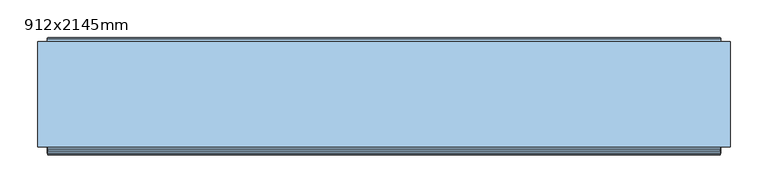
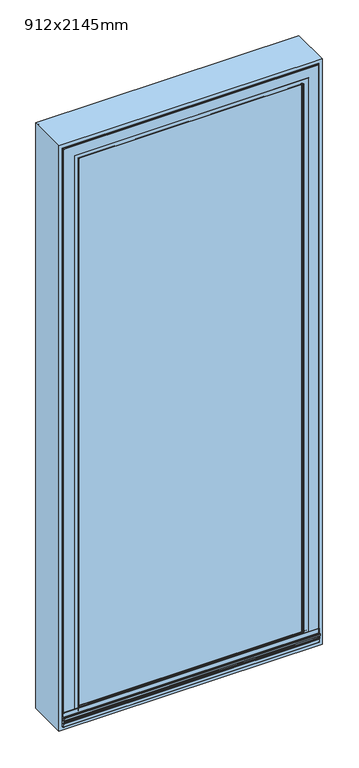
"""IFC4 building model written with IfcOpenShell, lengths in millimetres: window geometry, 912x2145mm."""

from ifc_helpers import new_model, si_unit, point, frame, frame_2d, origin, place, context, project, spatial, polyline, circle_curve, ellipse_curve, trimmed, segment, composite_curve, outline, extrude, faceted_brep, source, transform, mapped, element, save
from ifc_brep_helpers import plane_surface, cylinder_surface, revolved_surface, advanced_brep


def window_912x2145mm_07aee87f(model_context):
    return source(origin(), model_context, "Body", "SolidModel", [
        advanced_brep(
        [(435.5, -5.0000014, 21.5), (442.5, -5.0000014, 21.5), (444.0, -6.5000014, 21.5), (444.0, -74.0000016, 21.5), (434.0, -74.0000016, 21.5), (434.0, -6.5000014, 21.5), (-434.0, -6.5000014, 2123.0), (-434.0, -6.5000014, 21.5), (-435.5, -5.0000014, 21.5), (-435.5, -5.0000014, 2124.5), (-434.0, -142.5000016, 2123.0), (-434.0, -142.5000016, 52.0), (-434.0, -74.0000016, 52.0), (-434.0, -74.0000016, 21.5), (-444.0, -6.5000014, 2133.0), (-444.0, -6.5000014, 21.5), (-444.0, -74.0000016, 21.5), (-444.0, -74.0000016, 52.0), (-444.0, -142.5000016, 52.0), (-444.0, -142.5000016, 2133.0), (-442.5, -5.0000014, 2131.5), (-442.5, -5.0000014, 21.5), (434.0, -6.5000014, 2123.0), (435.5, -5.0000014, 2124.5), (434.0, -74.0000016, 52.0), (434.0, -142.5000016, 52.0), (434.0, -142.5000016, 2123.0), (444.0, -142.5000016, 52.0), (444.0, -142.5000016, 2133.0), (444.0, -74.0000016, 52.0), (444.0, -6.5000014, 2133.0), (442.5, -5.0000014, 2131.5)],
        [
            (0, 1),
            (1, 2, circle_curve(frame((442.5, -6.5000014, 21.5), z_axis=(0.0, 0.0, -1.0), x_axis=(-1.0, 0.0, 0.0)), 1.5)),
            (2, 3),
            (3, 4),
            (4, 5),
            (5, 0, circle_curve(frame((435.5, -6.5000014, 21.5), z_axis=(0.0, 0.0, -1.0), x_axis=(-1.0, 0.0, 0.0)), 1.5)),
            (6, 7),
            (7, 8, circle_curve(frame((-435.5, -6.5000014, 21.5), z_axis=(0.0, 0.0, 1.0), x_axis=(1.0, 0.0, 0.0)), 1.5)),
            (8, 9),
            (9, 6, ellipse_curve(frame((-435.5, -6.5000014, 2124.5), z_axis=(-0.7071067811865475, 0.0, -0.7071067811865475), x_axis=(-0.7071067811865474, 0.0, 0.7071067811865476)), 2.1213203, 1.5)),
            (6, 10),
            (10, 11),
            (11, 12),
            (12, 13),
            (13, 7),
            (14, 15),
            (15, 16),
            (16, 17),
            (17, 18),
            (18, 19),
            (19, 14),
            (14, 20, ellipse_curve(frame((-442.5, -6.5000014, 2131.5), z_axis=(-0.7071067811865475, 0.0, -0.7071067811865475), x_axis=(-0.7071067811865474, 0.0, 0.7071067811865476)), 2.1213203, 1.5)),
            (20, 21),
            (21, 15, circle_curve(frame((-442.5, -6.5000014, 21.5), z_axis=(0.0, 0.0, 1.0), x_axis=(1.0, 0.0, 0.0)), 1.5)),
            (5, 22),
            (22, 23, ellipse_curve(frame((435.5, -6.5000014, 2124.5), z_axis=(0.7071067811865475, 0.0, -0.7071067811865475), x_axis=(-0.7071067811865474, 0.0, -0.7071067811865476)), 2.1213203, 1.5)),
            (23, 0),
            (4, 24),
            (24, 25),
            (25, 26),
            (26, 22),
            (25, 27),
            (27, 28),
            (28, 19),
            (18, 11),
            (10, 26),
            (27, 29),
            (29, 3),
            (2, 30),
            (30, 28),
            (1, 31),
            (31, 30, ellipse_curve(frame((442.5, -6.5000014, 2131.5), z_axis=(0.7071067811865475, 0.0, -0.7071067811865475), x_axis=(-0.7071067811865474, 0.0, -0.7071067811865476)), 2.1213203, 1.5)),
            (23, 9),
            (8, 21),
            (20, 31),
            (13, 16),
            (22, 6),
            (30, 14),
            (12, 17),
            (29, 24),
        ],
        [
            plane_surface(frame((444.0, -204.0000016, 21.5), z_axis=(0.0, 0.0, -1.0), x_axis=(0.0, 1.0, 0.0))),
            cylinder_surface(frame((-435.5, -6.5000014, 2133.0), z_axis=(0.0, 0.0, 1.0), x_axis=(1.0, 0.0, 0.0)), 1.5),
            plane_surface(frame((-434.0, -6.5000014, 2123.0), z_axis=(1.0, 0.0, 0.0), x_axis=(0.0, 0.0, -1.0))),
            plane_surface(frame((-444.0, -142.5000016, 2133.0), z_axis=(-1.0, 0.0, 0.0), x_axis=(0.0, 0.0, -1.0))),
            cylinder_surface(frame((-442.5, -6.5000014, 2133.0), z_axis=(0.0, 0.0, 1.0), x_axis=(1.0, 0.0, 0.0)), 1.5),
            cylinder_surface(frame((435.5, -6.5000014, 21.5), z_axis=(0.0, 0.0, -1.0), x_axis=(-1.0, 0.0, 0.0)), 1.5),
            plane_surface(frame((434.0, -6.5000014, 21.5), z_axis=(-1.0, 0.0, 0.0), x_axis=(0.0, 0.0, 1.0))),
            plane_surface(frame((434.0, -142.5000016, 21.5), z_axis=(0.0, -1.0, 0.0), x_axis=(0.0, 0.0, 1.0))),
            plane_surface(frame((444.0, -142.5000016, 21.5), z_axis=(1.0, 0.0, 0.0), x_axis=(0.0, 0.0, 1.0))),
            cylinder_surface(frame((442.5, -6.5000014, 21.5), z_axis=(0.0, 0.0, -1.0), x_axis=(-1.0, 0.0, 0.0)), 1.5),
            plane_surface(frame((442.5, -5.0000014, 21.5), z_axis=(0.0, 1.0, 0.0), x_axis=(0.0, 0.0, 1.0))),
            plane_surface(frame((-444.0, -204.0000016, 21.5), z_axis=(0.0, 0.0, -1.0), x_axis=(0.0, 1.0, 0.0))),
            cylinder_surface(frame((444.0, -6.5000014, 2124.5), z_axis=(1.0, 0.0, 0.0), x_axis=(0.0, 0.0, -1.0)), 1.5),
            plane_surface(frame((434.0, -6.5000014, 2123.0), z_axis=(0.0, 0.0, -1.0), x_axis=(-1.0, 0.0, 0.0))),
            plane_surface(frame((444.0, -142.5000016, 2133.0), z_axis=(0.0, 0.0, 1.0), x_axis=(-1.0, 0.0, 0.0))),
            cylinder_surface(frame((444.0, -6.5000014, 2131.5), z_axis=(1.0, 0.0, 0.0), x_axis=(0.0, 0.0, -1.0)), 1.5),
            plane_surface(frame((-456.0, -74.0000016, 12.0), z_axis=(0.0, -1.0, 0.0), x_axis=(1.0, 0.0, 0.0))),
            plane_surface(frame((-456.0, -74.0000016, 52.0), z_axis=(0.0, 0.0, -1.0), x_axis=(1.0, 0.0, 0.0))),
        ],
        [
            (0, [[1, 2, 3, 4, 5, 6]]),
            (1, [[7, 8, 9, 10]]),
            (2, [[11, 12, 13, 14, 15, -7]]),
            (3, [[16, 17, 18, 19, 20, 21]]),
            (4, [[22, 23, 24, -16]]),
            (5, [[25, 26, 27, -6]]),
            (6, [[-5, 28, 29, 30, 31, -25]]),
            (7, [[-30, 32, 33, 34, -20, 35, -12, 36]]),
            (8, [[-33, 37, 38, -3, 39, 40]]),
            (9, [[41, 42, -39, -2]]),
            (10, [[-27, 43, -9, 44, -23, 45, -41, -1]]),
            (11, [[-15, 46, -17, -24, -44, -8]]),
            (12, [[-43, -26, 47, -10]]),
            (13, [[-47, -31, -36, -11]]),
            (14, [[-34, -40, 48, -21]]),
            (15, [[-48, -42, -45, -22]]),
            (16, [[-18, -46, -14, 49]]),
            (16, [[-28, -4, -38, 50]]),
            (17, [[-13, -35, -19, -49]]),
            (17, [[-37, -32, -29, -50]]),
        ],
    ),
        extrude(outline(composite_curve([segment(polyline([(-119.0000016, 72.0986884), (-61.0000016, 72.0986884)]), True, "CONTINUOUS"), segment(trimmed(circle_curve(frame_2d((-61.0000016, 71.0986884)), 1.0), [point((-61.0000016, 72.0986884))], [point((-60.0000016, 71.0986884))], False, "CARTESIAN"), True, "CONTINUOUS"), segment(polyline([(-60.0000016, 71.0986884), (-60.0000016, 28.8986884), (-63.8258284, 28.8986884), (-64.3024355, 24.2399243)]), True, "CONTINUOUS"), segment(trimmed(circle_curve(frame_2d((-64.7024355, 24.2399243)), 0.4), [point((-64.3024355, 24.2399243))], [point((-65.102348, 24.2482884))], False, "CARTESIAN"), True, "CONTINUOUS"), segment(polyline([(-65.102348, 24.2482884), (-65.102348, 35.2655715), (-119.0000016, 37.7854439), (-119.0000016, 72.0986884)]), True, "CONTINUOUS")], self_intersect=False)), frame((-427.2, 0.0, 0.0), z_axis=(1.0, 0.0, 0.0), x_axis=(0.0, 1.0, 0.0)), (0.0, 0.0, 1.0), 854.4),
        faceted_brep([(434.0, -63.3258286, 28.8986884), (434.0, -74.0000016, 28.8986884), (384.0, -74.0000016, 28.8986884), (384.0, -59.5000018, 28.8986884), (427.2, -59.5000018, 28.8986884), (427.2, -63.3258286, 28.8986884), (-406.0, -142.5000017, 2095.0), (-406.0, -142.5000017, 52.0), (-406.0, -118.5000018, 52.0), (-406.0, -118.5000018, 2095.0), (-434.0, -63.3258286, 2123.0), (-434.0, -63.3258286, 28.8986884), (-434.0, -74.0000016, 28.8986884), (-434.0, -74.0000016, 52.0), (-434.0, -142.5000017, 52.0), (-434.0, -142.5000017, 2123.0), (-427.2, -59.5000018, 2116.2), (-427.2, -59.5000018, 28.8986884), (-427.2, -63.3258286, 28.8986884), (-427.2, -63.3258286, 2116.2), (-384.0, -118.5000018, 2073.0), (-384.0, -118.5000018, 52.0), (-384.0, -74.0000016, 52.0), (-384.0, -74.0000016, 28.8986884), (-384.0, -59.5000018, 28.8986884), (-384.0, -59.5000018, 2073.0), (406.0, -118.5000018, 2095.0), (406.0, -118.5000018, 52.0), (406.0, -142.5000017, 52.0), (406.0, -142.5000017, 2095.0), (434.0, -142.5000017, 52.0), (434.0, -142.5000017, 2123.0), (434.0, -74.0000016, 52.0), (434.0, -63.3258286, 2123.0), (427.2, -63.3258286, 2116.2), (427.2, -59.5000018, 2116.2), (384.0, -59.5000018, 2073.0), (384.0, -74.0000016, 52.0), (384.0, -118.5000018, 52.0), (384.0, -118.5000018, 2073.0)], [[[0, 1, 2, 3, 4, 5]], [[6, 7, 8, 9]], [[10, 11, 12, 13, 14, 15]], [[16, 17, 18, 19]], [[20, 21, 22, 23, 24, 25]], [[26, 27, 28, 29]], [[29, 28, 30, 31, 15, 14, 7, 6]], [[31, 30, 32, 1, 0, 33]], [[5, 34, 19, 18, 11, 10, 33, 0]], [[4, 35, 34, 5]], [[3, 36, 25, 24, 17, 16, 35, 4]], [[3, 2, 37, 38, 39, 36]], [[39, 38, 27, 26, 9, 8, 21, 20]], [[17, 24, 23, 12, 11, 18]], [[9, 26, 29, 6]], [[15, 31, 33, 10]], [[19, 34, 35, 16]], [[25, 36, 39, 20]], [[13, 12, 23, 22]], [[37, 2, 1, 32]], [[22, 21, 8, 7, 14, 13]], [[32, 30, 28, 27, 38, 37]]]),
        extrude(outline(composite_curve([segment(trimmed(circle_curve(frame_2d((-149.0000016, 43.4986884)), 2.4), [point((-149.0000016, 41.0986884))], [point((-151.3237916, 44.0986884))], False, "CARTESIAN"), True, "CONTINUOUS"), segment(polyline([(-151.3237916, 44.0986884), (-154.3000016, 44.0986884), (-154.3000016, 48.8986884), (-156.3000016, 48.8986884), (-158.2000016, 47.8017229), (-158.2000016, 41.2986884), (-159.4000016, 41.2986884), (-159.4000016, 47.6862528)]), True, "CONTINUOUS"), segment(trimmed(circle_curve(frame_2d((-158.0000016, 47.6862528)), 1.4), [point((-159.4000016, 47.6862528))], [point((-158.7000016, 48.8986884))], False, "CARTESIAN"), True, "CONTINUOUS"), segment(polyline([(-158.7000016, 48.8986884), (-156.6215407, 50.0986884), (-154.0000016, 50.0986884), (-154.0000016, 65.5986884)]), True, "CONTINUOUS"), segment(trimmed(circle_curve(frame_2d((-153.5000016, 65.5986884)), 0.5), [point((-154.0000016, 65.5986884))], [point((-153.5000016, 66.0986884))], False, "CARTESIAN"), True, "CONTINUOUS"), segment(polyline([(-153.5000016, 66.0986884), (-150.7688261, 66.0986884), (-149.787266, 66.3616966)]), True, "CONTINUOUS"), segment(trimmed(circle_curve(frame_2d((-150.1258125, 68.4759697)), 2.1412063), [point((-149.787266, 66.3616966))], [point((-147.9871075, 68.5794346))], True, "CARTESIAN"), True, "CONTINUOUS"), segment(trimmed(circle_curve(frame_2d((-147.4938808, 68.6048095)), 0.4938789), [point((-147.9871075, 68.5794346))], [point((-147.0000019, 68.6048095))], False, "CARTESIAN"), True, "CONTINUOUS"), segment(polyline([(-147.0000019, 68.6048095), (-147.0000019, 50.0986884), (-119.0000016, 50.0986884), (-119.0000016, 37.7854439), (-125.7000016, 38.0986884), (-129.2000016, 41.5986884), (-129.2000016, 44.0986884), (-133.9000016, 44.0986884), (-133.9000016, 41.0986884), (-149.0000016, 41.0986884)]), True, "CONTINUOUS")], self_intersect=False)), frame((-443.0, 0.0, 0.0), z_axis=(1.0, 0.0, 0.0), x_axis=(0.0, 1.0, 0.0)), (0.0, 0.0, 1.0), 885.9999999),
        extrude(outline(composite_curve([segment(polyline([(-65.5000016, 21.5), (-6.5000016, 21.5)]), True, "CONTINUOUS"), segment(trimmed(circle_curve(frame_2d((-6.5000016, 20.0)), 1.5), [point((-6.5000016, 21.5))], [point((-5.0000016, 20.0))], False, "CARTESIAN"), True, "CONTINUOUS"), segment(polyline([(-5.0000016, 20.0), (-5.0000016, 13.5)]), True, "CONTINUOUS"), segment(trimmed(circle_curve(frame_2d((-6.5000016, 13.5)), 1.5), [point((-5.0000016, 13.5))], [point((-6.5000016, 12.0))], False, "CARTESIAN"), True, "CONTINUOUS"), segment(polyline([(-6.5000016, 12.0), (-146.0000016, 12.0), (-146.0000016, 15.6), (-152.6000016, 15.6), (-152.6000016, 14.3745967)]), True, "CONTINUOUS"), segment(trimmed(circle_curve(frame_2d((-152.4000016, 13.6)), 0.8), [point((-152.6000016, 14.3745967))], [point((-151.6853167, 13.2405205))], False, "CARTESIAN"), True, "CONTINUOUS"), segment(trimmed(circle_curve(frame_2d((-152.5000016, 14.5)), 1.5), [point((-151.6853167, 13.2405205))], [point((-154.0000016, 14.5))], False, "CARTESIAN"), True, "CONTINUOUS"), segment(polyline([(-154.0000016, 14.5), (-154.0000016, 24.5328639)]), True, "CONTINUOUS"), segment(trimmed(circle_curve(frame_2d((-153.0000016, 24.5328639)), 1.0), [point((-154.0000016, 24.5328639))], [point((-153.5000016, 25.3988893))], False, "CARTESIAN"), True, "CONTINUOUS"), segment(polyline([(-153.5000016, 25.3988893), (-151.4000016, 26.6113249)]), True, "CONTINUOUS"), segment(trimmed(circle_curve(frame_2d((-151.9000016, 27.4773503)), 1.0), [point((-151.4000016, 26.6113249))], [point((-150.9000016, 27.4773503))], True, "CARTESIAN"), True, "CONTINUOUS"), segment(polyline([(-150.9000016, 27.4773503), (-150.9000016, 33.6)]), True, "CONTINUOUS"), segment(trimmed(circle_curve(frame_2d((-151.9000016, 33.6)), 1.0), [point((-150.9000016, 33.6))], [point((-151.9000016, 34.6))], True, "CARTESIAN"), True, "CONTINUOUS"), segment(polyline([(-151.9000016, 34.6), (-153.892822, 34.6), (-155.6000016, 33.6143594), (-155.6000016, 30.9), (-157.0000016, 30.9), (-157.0000016, 33.8452995)]), True, "CONTINUOUS"), segment(trimmed(circle_curve(frame_2d((-156.0000016, 33.8452995)), 1.0), [point((-157.0000016, 33.8452995))], [point((-156.5000016, 34.7113249))], False, "CARTESIAN"), True, "CONTINUOUS"), segment(polyline([(-156.5000016, 34.7113249), (-154.2679508, 36.0), (-150.5000016, 36.0)]), True, "CONTINUOUS"), segment(trimmed(circle_curve(frame_2d((-150.5000016, 35.0)), 1.0), [point((-150.5000016, 36.0))], [point((-149.5000016, 35.0))], False, "CARTESIAN"), True, "CONTINUOUS"), segment(polyline([(-149.5000016, 35.0), (-149.5000016, 26.9), (-142.5000016, 26.9), (-133.13776, 35.5830778)]), True, "CONTINUOUS"), segment(trimmed(circle_curve(frame_2d((-132.1000016, 34.5)), 1.5), [point((-133.13776, 35.5830778))], [point((-130.6000016, 34.5))], False, "CARTESIAN"), True, "CONTINUOUS"), segment(polyline([(-130.6000016, 34.5), (-130.6000016, 32.2)]), True, "CONTINUOUS"), segment(trimmed(circle_curve(frame_2d((-129.6000016, 32.2)), 1.0), [point((-130.6000016, 32.2))], [point((-129.6000016, 31.2))], True, "CARTESIAN"), True, "CONTINUOUS"), segment(polyline([(-129.6000016, 31.2), (-92.5000016, 31.2)]), True, "CONTINUOUS"), segment(trimmed(circle_curve(frame_2d((-92.5000016, 28.2)), 3.0), [point((-92.5000016, 31.2))], [point((-89.5000016, 28.2))], False, "CARTESIAN"), True, "CONTINUOUS"), segment(polyline([(-89.5000016, 28.2), (-89.5000016, 22.9), (-65.5000016, 22.9), (-65.5000016, 21.5)]), True, "CONTINUOUS")], self_intersect=False)), frame((-444.0, 0.0, 0.0), z_axis=(1.0, 0.0, 0.0), x_axis=(0.0, 1.0, 0.0)), (0.0, 0.0, 1.0), 888.0),
        extrude(outline(polyline([(2145.0, -456.0), (0.0, -456.0), (0.0, 456.0), (2145.0, 456.0), (2145.0, -456.0)]), holes=[polyline([(12.0, -444.0), (2133.0, -444.0), (2133.0, 444.0), (12.0, 444.0), (12.0, -444.0)])]), frame((0.0, -149.0000016, 0.0), z_axis=(0.0, 1.0, 0.0), x_axis=(0.0, 0.0, 1.0)), (0.0, 0.0, 1.0), 139.0),
        extrude(outline(polyline([(402.0, -118.5000018), (402.0, -146.5000018), (-402.0, -146.5000018), (-402.0, -118.5000018), (402.0, -118.5000018)])), frame((0.0, 0.0, 54.0), z_axis=(0.0, 0.0, 1.0), x_axis=(1.0, 0.0, 0.0)), (0.0, 0.0, 1.0), 2037.0),
        advanced_brep(
        [(406.514074, -154.0000016, 50.0986884), (405.8, -153.5000016, 50.0986884), (390.5, -153.5000016, 50.0986884), (390.0, -153.0000016, 50.0986884), (390.0, -149.7544748, 50.0986884), (389.5962483, -148.7951832, 50.0986884), (387.5192538, -147.4871074, 50.0986884), (387.4938789, -146.5000019, 50.0986884), (406.0, -146.5000019, 50.0986884), (406.0, -142.5000017, 50.0986884), (444.0, -142.5000017, 50.0986884), (444.0, -148.3866107, 50.0986884), (443.0, -148.3866107, 50.0986884), (443.0, -152.5000018, 50.0986884), (441.5000001, -154.0000016, 50.0986884), (-406.514074, -154.0000016, 50.0986884), (-441.5000001, -154.0000016, 50.0986884), (-443.0, -152.5000018, 50.0986884), (-443.0, -148.3866107, 50.0986884), (-444.0, -148.3866107, 50.0986884), (-444.0, -142.5000017, 50.0986884), (-406.0, -142.5000017, 50.0986884), (-406.0, -146.5000019, 50.0986884), (-387.4938789, -146.5000019, 50.0986884), (-387.5192538, -147.4871074, 50.0986884), (-389.5962483, -148.7951832, 50.0986884), (-390.0, -149.7544748, 50.0986884), (-390.0, -153.0000016, 50.0986884), (-390.5, -153.5000016, 50.0986884), (-405.8, -153.5000016, 50.0986884), (443.0, -152.5000018, 2132.0), (-443.0, -152.5000018, 2132.0), (-441.5000001, -154.0000016, 2130.5000001), (441.5000001, -154.0000016, 2130.5000001), (443.0, -148.3866107, 2132.0), (-443.0, -148.3866107, 2132.0), (444.0, -142.5000017, 2133.0), (-444.0, -142.5000017, 2133.0), (-444.0, -148.3866107, 2133.0), (444.0, -148.3866107, 2133.0), (406.0, -146.5000019, 2095.0), (-406.0, -146.5000019, 2095.0), (-406.0, -142.5000017, 2095.0), (406.0, -142.5000017, 2095.0), (387.5192538, -147.4871074, 2076.5192538), (-387.5192538, -147.4871074, 2076.5192538), (-387.4938789, -146.5000019, 2076.4938789), (387.4938789, -146.5000019, 2076.4938789), (389.5962483, -148.7951832, 2078.5962483), (-389.5962483, -148.7951832, 2078.5962483), (390.0, -149.7544748, 2079.0), (-390.0, -149.7544748, 2079.0), (390.0, -153.0000016, 2079.0), (-390.0, -153.0000016, 2079.0), (390.5, -153.5000016, 2079.5), (-390.5, -153.5000016, 2079.5), (406.514074, -154.0000016, 2095.514074), (-406.514074, -154.0000016, 2095.514074), (-405.8, -153.5000016, 2094.8), (405.8, -153.5000016, 2094.8)],
        [
            (0, 1),
            (1, 2),
            (2, 3, circle_curve(frame((390.5, -153.0000016, 50.0986884), z_axis=(0.0, 0.0, -1.0), x_axis=(-1.0, 0.0, 0.0)), 0.5)),
            (3, 4),
            (4, 5),
            (5, 6, circle_curve(frame((387.6227187, -149.6258125, 50.0986884), z_axis=(0.0, 0.0, 1.0), x_axis=(-1.0, 0.0, 0.0)), 2.1412063)),
            (6, 7, circle_curve(frame((387.4938789, -146.9938808, 50.0986884), z_axis=(0.0, 0.0, -1.0), x_axis=(-1.0, 0.0, 0.0)), 0.4938789)),
            (7, 8),
            (8, 9),
            (9, 10),
            (10, 11),
            (11, 12),
            (12, 13),
            (13, 14, circle_curve(frame((441.5000001, -152.5000018, 50.0986884), z_axis=(0.0, 0.0, -1.0), x_axis=(-1.0, 0.0, 0.0)), 1.4999998)),
            (14, 0),
            (15, 16),
            (16, 17, circle_curve(frame((-441.5000001, -152.5000018, 50.0986884), z_axis=(0.0, 0.0, -1.0), x_axis=(1.0, 0.0, 0.0)), 1.4999998)),
            (17, 18),
            (18, 19),
            (19, 20),
            (20, 21),
            (21, 22),
            (22, 23),
            (23, 24, circle_curve(frame((-387.4938789, -146.9938808, 50.0986884), z_axis=(0.0, 0.0, -1.0), x_axis=(1.0, 0.0, 0.0)), 0.4938789)),
            (24, 25, circle_curve(frame((-387.6227187, -149.6258125, 50.0986884), z_axis=(0.0, 0.0, 1.0), x_axis=(1.0, 0.0, 0.0)), 2.1412063)),
            (25, 26),
            (26, 27),
            (27, 28, circle_curve(frame((-390.5, -153.0000016, 50.0986884), z_axis=(0.0, 0.0, -1.0), x_axis=(1.0, 0.0, 0.0)), 0.5)),
            (28, 29),
            (29, 15),
            (30, 31),
            (31, 32, ellipse_curve(frame((-441.5000001, -152.5000018, 2130.5000001), z_axis=(0.7071067811865475, 0.0, 0.7071067811865475), x_axis=(0.7071067811865476, 0.0, -0.7071067811865474)), 2.1213201, 1.4999998)),
            (32, 33),
            (33, 30, ellipse_curve(frame((441.5000001, -152.5000018, 2130.5000001), z_axis=(-0.7071067811865475, 0.0, 0.7071067811865475), x_axis=(0.7071067811865476, 0.0, 0.7071067811865474)), 2.1213201, 1.4999998)),
            (34, 35),
            (35, 31),
            (30, 34),
            (36, 37),
            (37, 38),
            (38, 39),
            (39, 36),
            (40, 41),
            (41, 42),
            (42, 43),
            (43, 40),
            (44, 45),
            (45, 46, ellipse_curve(frame((-387.4938789, -146.9938808, 2076.4938789), z_axis=(0.7071067811865475, 0.0, 0.7071067811865475), x_axis=(0.7071067811865476, 0.0, -0.7071067811865474)), 0.6984503, 0.4938789)),
            (46, 47),
            (47, 44, ellipse_curve(frame((387.4938789, -146.9938808, 2076.4938789), z_axis=(-0.7071067811865475, 0.0, 0.7071067811865475), x_axis=(0.7071067811865476, 0.0, 0.7071067811865474)), 0.6984503, 0.4938789)),
            (48, 49),
            (49, 45, ellipse_curve(frame((-387.6227187, -149.6258125, 2076.6227187), z_axis=(-0.7071067811865475, 0.0, -0.7071067811865475), x_axis=(-0.7071067811865476, 0.0, 0.7071067811865474)), 3.028123, 2.1412063)),
            (44, 48, ellipse_curve(frame((387.6227187, -149.6258125, 2076.6227187), z_axis=(0.7071067811865475, 0.0, -0.7071067811865475), x_axis=(-0.7071067811865476, 0.0, -0.7071067811865474)), 3.028123, 2.1412063)),
            (50, 51),
            (51, 49),
            (48, 50),
            (52, 53),
            (53, 51),
            (50, 52),
            (54, 55),
            (55, 53, ellipse_curve(frame((-390.5, -153.0000016, 2079.5), z_axis=(0.7071067811865475, 0.0, 0.7071067811865475), x_axis=(0.7071067811865476, 0.0, -0.7071067811865474)), 0.7071068, 0.5)),
            (52, 54, ellipse_curve(frame((390.5, -153.0000016, 2079.5), z_axis=(-0.7071067811865475, 0.0, 0.7071067811865475), x_axis=(0.7071067811865476, 0.0, 0.7071067811865474)), 0.7071068, 0.5)),
            (56, 57),
            (57, 58),
            (58, 59),
            (59, 56),
            (14, 33),
            (32, 16),
            (15, 57),
            (56, 0),
            (13, 30),
            (12, 34),
            (11, 39),
            (38, 19),
            (18, 35),
            (10, 36),
            (9, 43),
            (42, 21),
            (20, 37),
            (8, 40),
            (7, 47),
            (46, 23),
            (22, 41),
            (6, 44),
            (5, 48),
            (4, 50),
            (3, 52),
            (2, 54),
            (1, 59),
            (58, 29),
            (28, 55),
            (31, 17),
            (45, 24),
            (49, 25),
            (51, 26),
            (53, 27),
        ],
        [
            plane_surface(frame((444.0, -204.0000016, 50.0986884), z_axis=(0.0, 0.0, -1.0), x_axis=(0.0, 1.0, 0.0))),
            plane_surface(frame((-444.0, -204.0000016, 50.0986884), z_axis=(0.0, 0.0, -1.0), x_axis=(0.0, 1.0, 0.0))),
            cylinder_surface(frame((444.0, -152.5000018, 2130.5000001), z_axis=(1.0, 0.0, 0.0), x_axis=(0.0, 0.0, -1.0)), 1.4999998),
            plane_surface(frame((443.0, -152.5000018, 2132.0), z_axis=(0.0, 0.0, 1.0), x_axis=(-1.0, 0.0, 0.0))),
            plane_surface(frame((444.0, -148.3866107, 2133.0), z_axis=(0.0, 0.0, 1.0), x_axis=(-1.0, 0.0, 0.0))),
            plane_surface(frame((406.0, -142.5000017, 2095.0), z_axis=(0.0, 0.0, -1.0), x_axis=(-1.0, 0.0, 0.0))),
            cylinder_surface(frame((444.0, -146.9938808, 2076.4938789), z_axis=(1.0, 0.0, 0.0), x_axis=(0.0, 0.0, -1.0)), 0.4938789),
            revolved_surface(polyline([(-389.76392500756685, -149.6258125, 2074.4815124), (389.76392500756697, -149.6258125, 2074.4815124)]), (444.0, -149.6258125, 2076.6227187), (-1.0, 0.0, 0.0)),
            plane_surface(frame((389.5962483, -148.7951832, 2078.5962483), z_axis=(0.0, -0.3879258853299, -0.9216905703602556), x_axis=(-1.0, 0.0, 0.0))),
            plane_surface(frame((390.0, -149.7544748, 2079.0), z_axis=(0.0, 0.0, -1.0), x_axis=(-1.0, 0.0, 0.0))),
            cylinder_surface(frame((444.0, -153.0000016, 2079.5), z_axis=(1.0, 0.0, 0.0), x_axis=(0.0, 0.0, -1.0)), 0.5),
            plane_surface(frame((405.8, -153.5000016, 2094.8), z_axis=(0.0, -0.8191520442890632, -0.5735764363509442), x_axis=(-1.0, 0.0, 0.0))),
            plane_surface(frame((406.514074, -154.0000016, 50.0986884), z_axis=(0.0, -1.0, 0.0), x_axis=(0.0, 0.0, 1.0))),
            cylinder_surface(frame((441.5000001, -152.5000018, 50.0986884), z_axis=(0.0, 0.0, -1.0), x_axis=(-1.0, 0.0, 0.0)), 1.4999998),
            plane_surface(frame((443.0, -152.5000018, 50.0986884), z_axis=(1.0, 0.0, 0.0), x_axis=(0.0, 0.0, 1.0))),
            plane_surface(frame((443.0, -148.3866107, 50.0986884), z_axis=(0.0, -1.0, 0.0), x_axis=(0.0, 0.0, 1.0))),
            plane_surface(frame((444.0, -148.3866107, 50.0986884), z_axis=(1.0, 0.0, 0.0), x_axis=(0.0, 0.0, 1.0))),
            plane_surface(frame((444.0, -142.5000017, 50.0986884), z_axis=(0.0, 1.0, 0.0), x_axis=(0.0, 0.0, 1.0))),
            plane_surface(frame((406.0, -142.5000017, 50.0986884), z_axis=(-1.0, 0.0, 0.0), x_axis=(0.0, 0.0, 1.0))),
            plane_surface(frame((406.0, -146.5000019, 50.0986884), z_axis=(0.0, 1.0, 0.0), x_axis=(0.0, 0.0, 1.0))),
            cylinder_surface(frame((387.4938789, -146.9938808, 50.0986884), z_axis=(0.0, 0.0, -1.0), x_axis=(-1.0, 0.0, 0.0)), 0.4938789),
            revolved_surface(polyline([(385.4815124, -149.6258125, 2078.763925007567), (385.4815124, -149.6258125, 50.0986884)]), (387.6227187, -149.6258125, 50.0986884), (0.0, 0.0, 1.0)),
            plane_surface(frame((389.5962483, -148.7951832, 50.0986884), z_axis=(-0.9216905703602544, -0.38792588532990296, 0.0), x_axis=(0.0, 0.0, 1.0))),
            plane_surface(frame((390.0, -149.7544748, 50.0986884), z_axis=(-1.0, 0.0, 0.0), x_axis=(0.0, 0.0, 1.0))),
            cylinder_surface(frame((390.5, -153.0000016, 50.0986884), z_axis=(0.0, 0.0, -1.0), x_axis=(-1.0, 0.0, 0.0)), 0.5),
            plane_surface(frame((390.5, -153.5000016, 50.0986884), z_axis=(0.0, -1.0, 0.0), x_axis=(0.0, 0.0, 1.0))),
            plane_surface(frame((405.8, -153.5000016, 50.0986884), z_axis=(-0.5735764363509416, -0.8191520442890651, 0.0), x_axis=(0.0, 0.0, 1.0))),
            cylinder_surface(frame((-441.5000001, -152.5000018, 2133.0), z_axis=(0.0, 0.0, 1.0), x_axis=(1.0, 0.0, 0.0)), 1.4999998),
            plane_surface(frame((-443.0, -152.5000018, 2132.0), z_axis=(-1.0, 0.0, 0.0), x_axis=(0.0, 0.0, -1.0))),
            plane_surface(frame((-444.0, -148.3866107, 2133.0), z_axis=(-1.0, 0.0, 0.0), x_axis=(0.0, 0.0, -1.0))),
            plane_surface(frame((-406.0, -142.5000017, 2095.0), z_axis=(1.0, 0.0, 0.0), x_axis=(0.0, 0.0, -1.0))),
            cylinder_surface(frame((-387.4938789, -146.9938808, 2133.0), z_axis=(0.0, 0.0, 1.0), x_axis=(1.0, 0.0, 0.0)), 0.4938789),
            revolved_surface(polyline([(-385.4815124, -149.6258125, 50.0986883999999), (-385.4815124, -149.6258125, 2078.7639250075667)]), (-387.6227187, -149.6258125, 2133.0), (0.0, 0.0, -1.0)),
            plane_surface(frame((-389.5962483, -148.7951832, 2078.5962483), z_axis=(0.9216905703602568, -0.3879258853298971, 0.0), x_axis=(0.0, 0.0, -1.0))),
            plane_surface(frame((-390.0, -149.7544748, 2079.0), z_axis=(1.0, 0.0, 0.0), x_axis=(0.0, 0.0, -1.0))),
            cylinder_surface(frame((-390.5, -153.0000016, 2133.0), z_axis=(0.0, 0.0, 1.0), x_axis=(1.0, 0.0, 0.0)), 0.5),
            plane_surface(frame((-405.8, -153.5000016, 2094.8), z_axis=(0.5735764363509469, -0.8191520442890613, 0.0), x_axis=(0.0, 0.0, -1.0))),
        ],
        [
            (0, [[1, 2, 3, 4, 5, 6, 7, 8, 9, 10, 11, 12, 13, 14, 15]]),
            (1, [[16, 17, 18, 19, 20, 21, 22, 23, 24, 25, 26, 27, 28, 29, 30]]),
            (2, [[31, 32, 33, 34]]),
            (3, [[35, 36, -31, 37]]),
            (4, [[38, 39, 40, 41]]),
            (5, [[42, 43, 44, 45]]),
            (6, [[46, 47, 48, 49]]),
            (7, [[50, 51, -46, 52]]),
            (8, [[53, 54, -50, 55]]),
            (9, [[56, 57, -53, 58]]),
            (10, [[59, 60, -56, 61]]),
            (11, [[62, 63, 64, 65]]),
            (12, [[66, -33, 67, -16, 68, -62, 69, -15]]),
            (13, [[70, -34, -66, -14]]),
            (14, [[71, -37, -70, -13]]),
            (15, [[72, -40, 73, -19, 74, -35, -71, -12]]),
            (16, [[75, -41, -72, -11]]),
            (17, [[76, -44, 77, -21, 78, -38, -75, -10]]),
            (18, [[79, -45, -76, -9]]),
            (19, [[80, -48, 81, -23, 82, -42, -79, -8]]),
            (20, [[83, -49, -80, -7]]),
            (21, [[84, -52, -83, -6]]),
            (22, [[85, -55, -84, -5]]),
            (23, [[86, -58, -85, -4]]),
            (24, [[87, -61, -86, -3]]),
            (25, [[88, -64, 89, -29, 90, -59, -87, -2]]),
            (26, [[-69, -65, -88, -1]]),
            (27, [[91, -17, -67, -32]]),
            (28, [[-74, -18, -91, -36]]),
            (29, [[-78, -20, -73, -39]]),
            (30, [[-82, -22, -77, -43]]),
            (31, [[92, -24, -81, -47]]),
            (32, [[93, -25, -92, -51]]),
            (33, [[94, -26, -93, -54]]),
            (34, [[95, -27, -94, -57]]),
            (35, [[-90, -28, -95, -60]]),
            (36, [[-68, -30, -89, -63]]),
        ],
    ),
    ])


if __name__ == "__main__":
    model = new_model("IFC4")
    model_context = context("Model", 3, world=origin())
    ifc_project = project(units=[si_unit("LENGTHUNIT", "METRE", prefix="MILLI")], contexts=[model_context])
    site = spatial("IfcSite", under=ifc_project)
    building = spatial("IfcBuilding", under=site)
    placement = place(None, origin())
    window_912x2145mm_shape = window_912x2145mm_07aee87f(model_context)
    element("IfcWindow", 1, ObjectType="912x2145mm", at=placement, inside=building, context=model_context, shape_type="MappedRepresentation", body=[
        mapped(window_912x2145mm_shape, transform((0.0, 0.0, 0.0), x_axis=(1.0, 0.0, 0.0), y_axis=(0.0, 1.0, 0.0), z_axis=(0.0, 0.0, 1.0))),
    ])
    save(model, "model.ifc")
